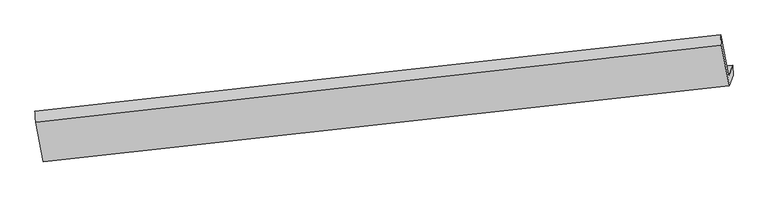
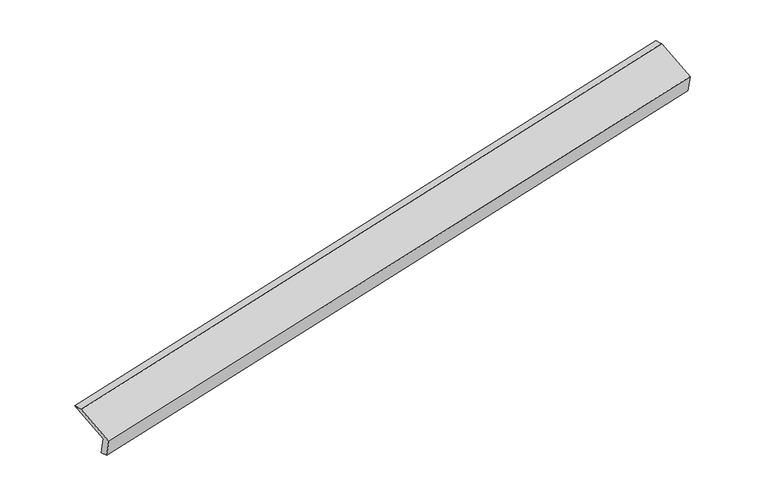
"""IFC4 building model written with IfcOpenShell, lengths in millimetres: proxy geometry."""

from ifc_helpers import new_model, si_unit, frame, origin, place, context, project, spatial, source, transform, mapped, element, save
from ifc_brep_helpers import plane_surface, spline_surface, advanced_brep


def generic_models_ff2c8c23(model_context):
    return source(origin(), model_context, "Body", "AdvancedBrep", [
        advanced_brep(
        [(-8457.6482463, -2161.469787, 390.542429), (-8519.7296734, -2336.2901719, 787.8409072), (2835.6284081, -1081.3311404, 3103.3908856), (2899.1256764, -902.5237673, 2697.03154), (-8450.2239112, -2323.4883788, 442.7538336), (2906.5500116, -1064.5423591, 2749.2429446), (-8511.2007801, -2495.198344, 832.9835425), (2844.1573014, -1240.2393126, 3148.5335209), (-8639.7855495, -1839.9036903, 1101.2356084), (2711.9990239, -566.7333204, 3424.2405983), (-8652.3373753, -1660.4938196, 1064.4855687), (2701.2339521, -396.429119, 3383.7630528)],
        [
            (0, 1),
            (1, 2),
            (2, 3),
            (3, 0),
            (4, 0),
            (3, 5),
            (5, 4),
            (6, 4),
            (5, 7),
            (7, 6),
            (8, 6),
            (7, 9),
            (9, 8),
            (10, 8),
            (9, 11),
            (11, 10),
            (1, 10),
            (11, 2),
        ],
        [
            plane_surface(frame((-8488.6889598, -2248.8799794, 589.1916681), z_axis=(-0.1767475262426761, 0.9107811530406816, 0.3731460883259816), x_axis=(-0.14158412690069974, -0.39869881725057904, 0.9060867442650047))),
            plane_surface(frame((-8453.9360787, -2242.4790829, 416.6481313), z_axis=(0.22124492956505004, -0.28992230149507014, -0.9311260603363855), x_axis=(-0.043573781959332064, 0.9508949515596975, -0.3064312592149198))),
            plane_surface(frame((-8480.7123456, -2409.3433614, 637.868688), z_axis=(0.17674752624267467, -0.910781153040684, -0.3731460883259764), x_axis=(0.14158412690077524, 0.3986988172505819, -0.9060867442649916))),
            plane_surface(frame((-8575.4931648, -2167.5510171, 967.1095755), z_axis=(-0.14074879392012896, -0.3986050598424281, 0.9062581217721822), x_axis=(0.17867540416696404, -0.9105669174979151, -0.37275057170193193))),
            spline_surface(1, 1, [[(-8652.3373753, -1660.4938196, 1064.4855687), (2701.2339521, -396.429119, 3383.7630528)], [(-8639.7855495, -1839.9036903, 1101.2356084), (2711.9990239, -566.7333204, 3424.2405983)]], [2, 2], [2, 2], [0.0, 1.0], [0.0, 1.0]),
            plane_surface(frame((-8586.0335243, -1998.3919957, 926.1632379), z_axis=(0.14074879392012699, 0.3986050598424404, -0.9062581217721771), x_axis=(-0.17867540416696623, 0.9105669174979097, 0.37275057170194403))),
            plane_surface(frame((2816.4490623, -875.2998365, 3084.3670904), z_axis=(0.9736678257781336, 0.10911985099569313, 0.2001594943118108), x_axis=(0.17867540416696404, -0.9105669174979151, -0.37275057170193193))),
            plane_surface(frame((-8538.4875893, -2136.1406986, 769.9736482), z_axis=(-0.9736678257780885, -0.10911985099600503, -0.20015949431186036), x_axis=(0.14158412690070254, 0.3986988172505819, -0.906086744265003))),
        ],
        [
            (0, [[1, 2, 3, 4]]),
            (1, [[5, -4, 6, 7]]),
            (2, [[8, -7, 9, 10]]),
            (3, [[11, -10, 12, 13]]),
            (4, [[14, -13, 15, 16]]),
            (5, [[17, -16, 18, -2]]),
            (6, [[-12, -9, -6, -3, -18, -15]]),
            (7, [[-1, -5, -8, -11, -14, -17]]),
        ],
    ),
    ])


if __name__ == "__main__":
    model = new_model("IFC4")
    model_context = context("Model", 3, world=origin())
    ifc_project = project(units=[si_unit("LENGTHUNIT", "METRE", prefix="MILLI")], contexts=[model_context])
    site = spatial("IfcSite", under=ifc_project)
    building = spatial("IfcBuilding", under=site)
    placement = place(None, origin())
    generic_models_shape = generic_models_ff2c8c23(model_context)
    element("IfcBuildingElementProxy", 1, Name="Generic Models", at=placement, inside=building, context=model_context, shape_type="MappedRepresentation", body=[
        mapped(generic_models_shape, transform((0.0, 0.0, 0.0), x_axis=(1.0, 0.0, 0.0), y_axis=(0.0, 1.0, 0.0), z_axis=(0.0, 0.0, 1.0))),
    ])
    save(model, "model.ifc")
